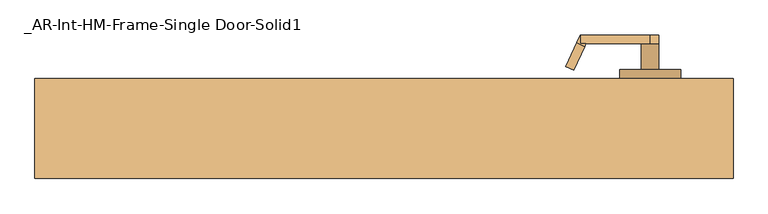
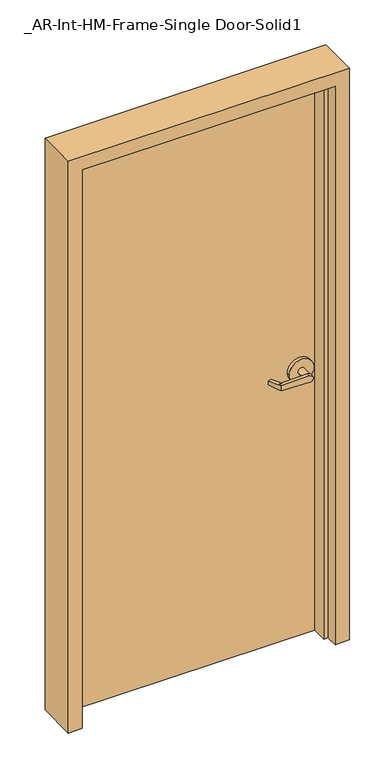
"""IFC4 building model written with IfcOpenShell, lengths in millimetres: door geometry, _AR-Int-HM-Frame-Single Door-Solid1."""

from ifc_helpers import new_model, si_unit, frame, origin, origin_with_axes, place, context, project, spatial, polyline, circle_curve, outline, extrude, faceted_brep, source, transform, mapped, element, save
from ifc_brep_helpers import plane_surface, cylinder_surface, advanced_brep


def ar_int_hm_frame_single_door_solid1_6a7cbaf9(model_context):
    return source(origin(), model_context, "Body", "SolidModel", [
        advanced_brep(
        [(291.892857, -18.0476392, 1006.475), (275.7911012, 16.4826875, 1009.65), (275.7911012, 16.4826875, 1022.35), (291.892857, -18.0476392, 1025.525), (293.8407923, -22.225, 1025.525), (293.8407923, -22.225, 1006.475), (285.75, -34.925, 1025.525), (280.3827481, -23.4148911, 1025.525), (264.2809923, 11.1154356, 1022.35), (264.2809923, 11.1154356, 1009.65), (280.3827481, -23.4148911, 1006.475), (285.75, -34.925, 1006.475), (285.75, -22.225, 1006.475), (285.75, -22.225, 1025.525), (386.9525418, -34.925, 1003.3062209), (386.9525418, -34.925, 1028.6937791), (386.9525418, -22.225, 1028.6937791), (374.65, -22.225, 1016.0), (386.9525418, -22.225, 1003.3062209), (400.05, -22.225, 1016.0), (400.05, 15.875, 1016.0), (374.65, 15.875, 1016.0), (431.8, 15.875, 1016.0), (342.9, 15.875, 1016.0), (431.8, 28.575, 1016.0), (342.9, 28.575, 1016.0)],
        [
            (0, 1),
            (1, 2),
            (2, 3),
            (3, 4),
            (4, 5),
            (5, 0),
            (6, 7),
            (7, 8),
            (8, 9),
            (9, 10),
            (10, 11),
            (11, 6),
            (10, 0),
            (5, 12),
            (12, 11),
            (9, 1),
            (8, 2),
            (7, 3),
            (6, 13),
            (13, 4),
            (11, 14),
            (14, 15, circle_curve(frame((387.35, -34.925, 1016.0), z_axis=(0.0, -1.0, 0.0), x_axis=(-1.0, 0.0, 0.0)), 12.7)),
            (15, 6),
            (13, 16),
            (16, 17, circle_curve(frame((387.35, -22.225, 1016.0), z_axis=(0.0, -1.0, 0.0), x_axis=(-1.0, 0.0, 0.0)), 12.7)),
            (17, 18, circle_curve(frame((387.35, -22.225, 1016.0), z_axis=(0.0, -1.0, 0.0), x_axis=(-1.0, 0.0, 0.0)), 12.7)),
            (18, 12),
            (18, 14),
            (18, 19, circle_curve(frame((387.35, -22.225, 1016.0), z_axis=(0.0, -1.0, 0.0), x_axis=(-1.0, 0.0, 0.0)), 12.7)),
            (19, 16, circle_curve(frame((387.35, -22.225, 1016.0), z_axis=(0.0, -1.0, 0.0), x_axis=(-1.0, 0.0, 0.0)), 12.7)),
            (16, 15),
            (19, 20),
            (20, 21, circle_curve(frame((387.35, 15.875, 1016.0), z_axis=(0.0, -1.0, 0.0), x_axis=(-1.0, 0.0, 0.0)), 12.7)),
            (21, 17),
            (21, 20, circle_curve(frame((387.35, 15.875, 1016.0), z_axis=(0.0, -1.0, 0.0), x_axis=(-1.0, 0.0, 0.0)), 12.7)),
            (22, 23, circle_curve(frame((387.35, 15.875, 1016.0), z_axis=(0.0, -1.0, 0.0), x_axis=(-1.0, 0.0, 0.0)), 44.45)),
            (23, 22, circle_curve(frame((387.35, 15.875, 1016.0), z_axis=(0.0, -1.0, 0.0), x_axis=(-1.0, 0.0, 0.0)), 44.45)),
            (24, 25, circle_curve(frame((387.35, 28.575, 1016.0), z_axis=(0.0, 1.0, 0.0), x_axis=(-1.0, 0.0, 0.0)), 44.45)),
            (25, 24, circle_curve(frame((387.35, 28.575, 1016.0), z_axis=(0.0, 1.0, 0.0), x_axis=(-1.0, 0.0, 0.0)), 44.45)),
            (22, 24),
            (25, 23),
        ],
        [
            plane_surface(frame((297.2601089, -29.5577481, 1006.475), z_axis=(0.9063077870366494, 0.4226182617407007, 0.0), x_axis=(0.0, 0.0, -1.0))),
            plane_surface(frame((285.75, -34.925, 1006.475), z_axis=(-0.9063077870366494, -0.4226182617407007, 0.0), x_axis=(0.0, 0.0, 1.0))),
            plane_surface(frame((297.2601089, -29.5577481, 1006.475), z_axis=(0.0, 0.0, -1.0000000000000002), x_axis=(-0.9063077870366494, -0.42261826174070094, 0.0))),
            plane_surface(frame((291.892857, -18.0476392, 1006.475), z_axis=(-0.035096536341209586, 0.07526476506963879, -0.9965457582448799), x_axis=(-0.9063077870366494, -0.42261826174070094, 0.0))),
            plane_surface(frame((275.7911012, 16.4826875, 1009.65), z_axis=(-0.42261826174070094, 0.9063077870366494, 0.0), x_axis=(-0.9063077870366494, -0.42261826174070094, 0.0))),
            plane_surface(frame((275.7911012, 16.4826875, 1022.35), z_axis=(-0.03509653634121044, 0.07526476506964089, 0.9965457582448796), x_axis=(-0.9063077870366495, -0.42261826174070033, 0.0))),
            plane_surface(frame((291.892857, -18.0476392, 1025.525), z_axis=(0.0, 0.0, 1.0000000000000002), x_axis=(-0.9063077870366494, -0.42261826174070094, 0.0))),
            plane_surface(frame((285.75, -34.925, 1006.475), z_axis=(0.0, -1.0, 0.0), x_axis=(0.9995101626549141, 0.0, -0.03129592225110647))),
            plane_surface(frame((285.75, -22.225, 1006.475), z_axis=(0.0, 1.0, 0.0), x_axis=(-0.9995101626549141, 0.0, 0.03129592225110647))),
            plane_surface(frame((285.75, -34.925, 1006.475), z_axis=(-0.03129592225110647, 0.0, -0.9995101626549141), x_axis=(0.0, 1.0, 0.0))),
            cylinder_surface(frame((387.35, -22.225, 1016.0), z_axis=(0.0, -1.0, 0.0), x_axis=(-1.0, 0.0, 0.0)), 12.7),
            plane_surface(frame((386.9525418, -34.925, 1028.6937791), z_axis=(-0.03129592225110282, 0.0, 0.9995101626549142), x_axis=(0.0, 1.0, 0.0))),
            cylinder_surface(frame((387.35, 15.875, 1016.0), z_axis=(0.0, -1.0, 0.0), x_axis=(-1.0, 0.0, 0.0)), 12.7),
            plane_surface(frame((342.9, 15.875, 1016.0), z_axis=(0.0, -1.0, 0.0), x_axis=(0.0, 0.0, -1.0))),
            plane_surface(frame((342.9, 28.575, 1016.0), z_axis=(0.0, 1.0, 0.0), x_axis=(0.0, 0.0, 1.0))),
            cylinder_surface(frame((387.35, 28.575, 1016.0), z_axis=(0.0, -1.0, 0.0), x_axis=(-1.0, 0.0, 0.0)), 44.45),
        ],
        [
            (0, [[1, 2, 3, 4, 5, 6]]),
            (1, [[7, 8, 9, 10, 11, 12]]),
            (2, [[-11, 13, -6, 14, 15]]),
            (3, [[-1, -13, -10, 16]]),
            (4, [[-2, -16, -9, 17]]),
            (5, [[-3, -17, -8, 18]]),
            (6, [[-7, 19, 20, -4, -18]]),
            (7, [[21, 22, 23, -12]]),
            (8, [[24, 25, 26, 27, -14, -5, -20]]),
            (9, [[-21, -15, -27, 28]]),
            (10, [[-22, -28, 29, 30, 31]]),
            (11, [[-23, -31, -24, -19]]),
            (12, [[32, 33, 34, -25, -30]]),
            (12, [[-32, -29, -26, -34, 35]]),
            (13, [[36, 37], [-33, -35]]),
            (14, [[38, 39]]),
            (15, [[-36, 40, -39, 41]]),
            (15, [[-37, -41, -38, -40]]),
        ],
    ),
        advanced_brep(
        [(291.892857, 119.6476392, 1025.525), (275.7911012, 85.1173125, 1022.35), (275.7911012, 85.1173125, 1009.65), (291.892857, 119.6476392, 1006.475), (293.8407923, 123.825, 1006.475), (293.8407923, 123.825, 1025.525), (285.75, 136.525, 1006.475), (280.3827481, 125.0148911, 1006.475), (264.2809923, 90.4845644, 1009.65), (264.2809923, 90.4845644, 1022.35), (280.3827481, 125.0148911, 1025.525), (285.75, 136.525, 1025.525), (285.75, 123.825, 1025.525), (285.75, 123.825, 1006.475), (386.9525418, 136.525, 1028.6937791), (386.9525418, 136.525, 1003.3062209), (386.9525418, 123.825, 1003.3062209), (374.65, 123.825, 1016.0), (386.9525418, 123.825, 1028.6937791), (400.05, 123.825, 1016.0), (400.05, 85.725, 1016.0), (374.65, 85.725, 1016.0), (431.8, 85.725, 1016.0), (342.9, 85.725, 1016.0), (431.8, 73.025, 1016.0), (342.9, 73.025, 1016.0)],
        [
            (0, 1),
            (1, 2),
            (2, 3),
            (3, 4),
            (4, 5),
            (5, 0),
            (6, 7),
            (7, 8),
            (8, 9),
            (9, 10),
            (10, 11),
            (11, 6),
            (10, 0),
            (5, 12),
            (12, 11),
            (9, 1),
            (8, 2),
            (7, 3),
            (6, 13),
            (13, 4),
            (11, 14),
            (14, 15, circle_curve(frame((387.35, 136.525, 1016.0), z_axis=(0.0, 1.0, 0.0), x_axis=(-1.0, 0.0, 0.0)), 12.7)),
            (15, 6),
            (13, 16),
            (16, 17, circle_curve(frame((387.35, 123.825, 1016.0), z_axis=(0.0, 1.0, 0.0), x_axis=(-1.0, 0.0, 0.0)), 12.7)),
            (17, 18, circle_curve(frame((387.35, 123.825, 1016.0), z_axis=(0.0, 1.0, 0.0), x_axis=(-1.0, 0.0, 0.0)), 12.7)),
            (18, 12),
            (18, 14),
            (18, 19, circle_curve(frame((387.35, 123.825, 1016.0), z_axis=(0.0, 1.0, 0.0), x_axis=(-1.0, 0.0, 0.0)), 12.7)),
            (19, 16, circle_curve(frame((387.35, 123.825, 1016.0), z_axis=(0.0, 1.0, 0.0), x_axis=(-1.0, 0.0, 0.0)), 12.7)),
            (16, 15),
            (19, 20),
            (20, 21, circle_curve(frame((387.35, 85.725, 1016.0), z_axis=(0.0, 1.0, 0.0), x_axis=(-1.0, 0.0, 0.0)), 12.7)),
            (21, 17),
            (21, 20, circle_curve(frame((387.35, 85.725, 1016.0), z_axis=(0.0, 1.0, 0.0), x_axis=(-1.0, 0.0, 0.0)), 12.7)),
            (22, 23, circle_curve(frame((387.35, 85.725, 1016.0), z_axis=(0.0, 1.0, 0.0), x_axis=(-1.0, 0.0, 0.0)), 44.45)),
            (23, 22, circle_curve(frame((387.35, 85.725, 1016.0), z_axis=(0.0, 1.0, 0.0), x_axis=(-1.0, 0.0, 0.0)), 44.45)),
            (24, 25, circle_curve(frame((387.35, 73.025, 1016.0), z_axis=(0.0, -1.0, 0.0), x_axis=(-1.0, 0.0, 0.0)), 44.45)),
            (25, 24, circle_curve(frame((387.35, 73.025, 1016.0), z_axis=(0.0, -1.0, 0.0), x_axis=(-1.0, 0.0, 0.0)), 44.45)),
            (22, 24),
            (25, 23),
        ],
        [
            plane_surface(frame((297.2601089, 131.1577481, 1025.525), z_axis=(0.9063077870366494, -0.4226182617407007, 0.0), x_axis=(0.0, 0.0, 1.0))),
            plane_surface(frame((285.75, 136.525, 1025.525), z_axis=(-0.9063077870366494, 0.4226182617407007, 0.0), x_axis=(0.0, 0.0, -1.0))),
            plane_surface(frame((297.2601089, 131.1577481, 1025.525), z_axis=(0.0, 0.0, 1.0000000000000002), x_axis=(-0.9063077870366494, 0.42261826174070094, 0.0))),
            plane_surface(frame((291.892857, 119.6476392, 1025.525), z_axis=(-0.03509653634120952, -0.07526476506963879, 0.9965457582448799), x_axis=(-0.9063077870366494, 0.42261826174070094, 0.0))),
            plane_surface(frame((275.7911012, 85.1173125, 1022.35), z_axis=(-0.42261826174070094, -0.9063077870366494, 0.0), x_axis=(-0.9063077870366494, 0.42261826174070094, 0.0))),
            plane_surface(frame((275.7911012, 85.1173125, 1009.65), z_axis=(-0.03509653634121051, -0.07526476506964089, -0.9965457582448796), x_axis=(-0.9063077870366495, 0.42261826174070033, 0.0))),
            plane_surface(frame((291.892857, 119.6476392, 1006.475), z_axis=(0.0, 0.0, -1.0000000000000002), x_axis=(-0.9063077870366494, 0.42261826174070094, 0.0))),
            plane_surface(frame((285.75, 136.525, 1025.525), z_axis=(0.0, 1.0, 0.0), x_axis=(0.9995101626549141, 0.0, 0.0312959222511064))),
            plane_surface(frame((285.75, 123.825, 1025.525), z_axis=(0.0, -1.0, 0.0), x_axis=(-0.9995101626549141, 0.0, -0.0312959222511064))),
            plane_surface(frame((285.75, 136.525, 1025.525), z_axis=(-0.0312959222511064, 0.0, 0.9995101626549141), x_axis=(0.0, -1.0, 0.0))),
            cylinder_surface(frame((387.35, 123.825, 1016.0), z_axis=(0.0, 1.0, 0.0), x_axis=(-1.0, 0.0, 0.0)), 12.7),
            plane_surface(frame((386.9525418, 136.525, 1003.3062209), z_axis=(-0.03129592225110289, 0.0, -0.9995101626549142), x_axis=(0.0, -1.0, 0.0))),
            cylinder_surface(frame((387.35, 85.725, 1016.0), z_axis=(0.0, 1.0, 0.0), x_axis=(-1.0, 0.0, 0.0)), 12.7),
            plane_surface(frame((342.9, 85.725, 1016.0), z_axis=(0.0, 1.0, 0.0), x_axis=(0.0, 0.0, 1.0))),
            plane_surface(frame((342.9, 73.025, 1016.0), z_axis=(0.0, -1.0, 0.0), x_axis=(0.0, 0.0, -1.0))),
            cylinder_surface(frame((387.35, 73.025, 1016.0), z_axis=(0.0, 1.0, 0.0), x_axis=(-1.0, 0.0, 0.0)), 44.45),
        ],
        [
            (0, [[1, 2, 3, 4, 5, 6]]),
            (1, [[7, 8, 9, 10, 11, 12]]),
            (2, [[-11, 13, -6, 14, 15]]),
            (3, [[-1, -13, -10, 16]]),
            (4, [[-2, -16, -9, 17]]),
            (5, [[-3, -17, -8, 18]]),
            (6, [[-7, 19, 20, -4, -18]]),
            (7, [[21, 22, 23, -12]]),
            (8, [[24, 25, 26, 27, -14, -5, -20]]),
            (9, [[-21, -15, -27, 28]]),
            (10, [[-22, -28, 29, 30, 31]]),
            (11, [[-23, -31, -24, -19]]),
            (12, [[32, 33, 34, -25, -30]]),
            (12, [[-32, -29, -26, -34, 35]]),
            (13, [[36, 37], [-33, -35]]),
            (14, [[38, 39]]),
            (15, [[-36, 40, -39, 41]]),
            (15, [[-37, -41, -38, -40]]),
        ],
    ),
        extrude(outline(polyline([(-457.2, 73.025), (457.2, 73.025), (457.2, 28.575), (-457.2, 28.575), (-457.2, 73.025)])), origin_with_axes(), (0.0, 0.0, 1.0), 2133.6),
        faceted_brep([(-457.2, 73.025, 0.0), (-457.2, 28.575, 0.0), (-441.325, 28.575, 0.0), (-441.325, -28.575, 0.0), (-457.2, -28.575, 0.0), (-457.2, -73.025, 0.0), (-508.0, -73.025, 0.0), (-508.0, 73.025, 0.0), (-457.2, 73.025, 2133.6), (-457.2, 28.575, 2133.6), (457.2, 28.575, 2133.6), (457.2, 28.575, 0.0), (441.325, 28.575, 0.0), (441.325, 28.575, 2117.725), (-441.325, 28.575, 2117.725), (-441.325, -28.575, 2117.725), (441.325, -28.575, 2117.725), (441.325, -28.575, 0.0), (457.2, -28.575, 0.0), (457.2, -28.575, 2133.6), (-457.2, -28.575, 2133.6), (-457.2, -73.025, 2133.6), (457.2, -73.025, 2133.6), (457.2, -73.025, 0.0), (508.0, -73.025, 0.0), (508.0, -73.025, 2184.4), (-508.0, -73.025, 2184.4), (-508.0, 73.025, 2184.4), (508.0, 73.025, 2184.4), (508.0, 73.025, 0.0), (457.2, 73.025, 0.0), (457.2, 73.025, 2133.6)], [[[0, 1, 2, 3, 4, 5, 6, 7]], [[1, 0, 8, 9]], [[2, 1, 9, 10, 11, 12, 13, 14]], [[3, 2, 14, 15]], [[4, 3, 15, 16, 17, 18, 19, 20]], [[5, 4, 20, 21]], [[6, 5, 21, 22, 23, 24, 25, 26]], [[7, 6, 26, 27]], [[0, 7, 27, 28, 29, 30, 31, 8]], [[30, 11, 10, 31]], [[30, 29, 24, 23, 18, 17, 12, 11]], [[12, 17, 16, 13]], [[19, 18, 23, 22]], [[29, 28, 25, 24]], [[25, 28, 27, 26]], [[21, 20, 19, 22]], [[15, 14, 13, 16]], [[10, 9, 8, 31]]]),
    ])


if __name__ == "__main__":
    model = new_model("IFC4")
    model_context = context("Model", 3, world=origin())
    ifc_project = project(units=[si_unit("LENGTHUNIT", "METRE", prefix="MILLI")], contexts=[model_context])
    site = spatial("IfcSite", under=ifc_project)
    building = spatial("IfcBuilding", under=site)
    placement = place(None, origin())
    ar_int_hm_frame_single_door_solid1_shape = ar_int_hm_frame_single_door_solid1_6a7cbaf9(model_context)
    element("IfcDoor", 1, ObjectType="_AR-Int-HM-Frame-Single Door-Solid1", at=placement, inside=building, context=model_context, shape_type="MappedRepresentation", body=[
        mapped(ar_int_hm_frame_single_door_solid1_shape, transform((0.0, 0.0, 0.0), x_axis=(1.0, 0.0, 0.0), y_axis=(0.0, 1.0, 0.0), z_axis=(0.0, 0.0, 1.0))),
    ])
    save(model, "model.ifc")
